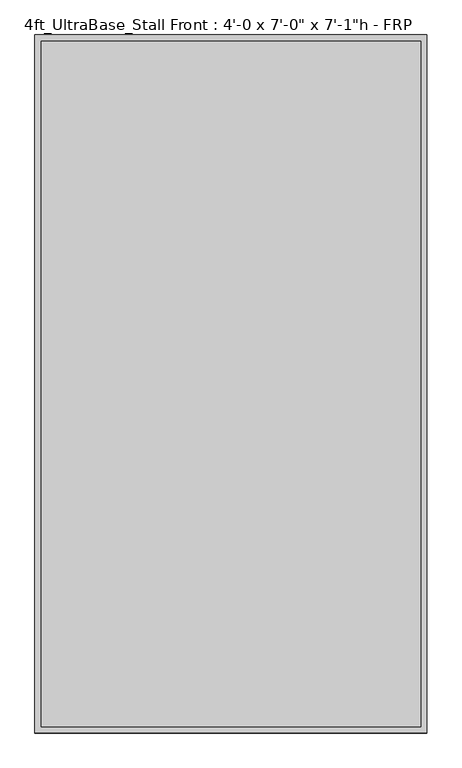
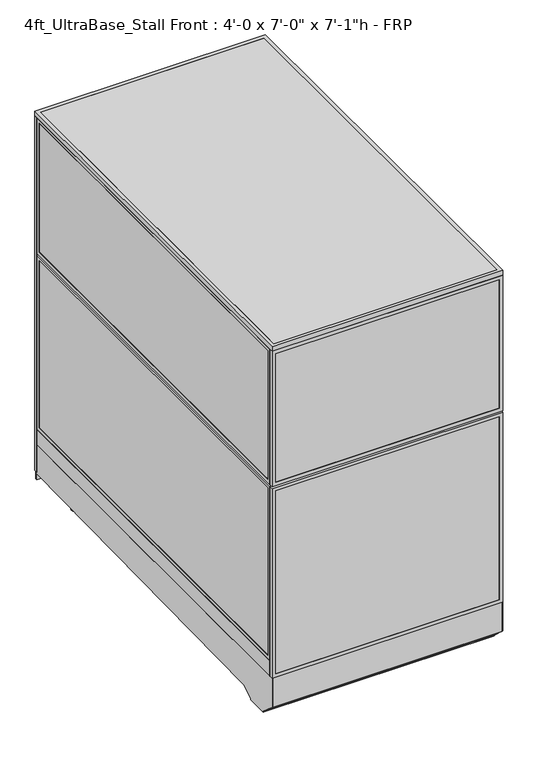
"""IFC4 building model written with IfcOpenShell, lengths in millimetres: proxy geometry."""

from ifc_helpers import new_model, si_unit, point, frame, frame_2d, origin, origin_with_axes, place, context, project, spatial, polyline, circle_curve, trimmed, segment, composite_curve, outline, extrude, source, transform, mapped, element, save


def proxy_6b5180ef(model_context):
    return source(origin(), model_context, "Body", "SweptSolid", [
        extrude(outline(polyline([(152.4, 1219.2), (2133.6, 1219.2), (2133.6, 304.8), (152.4, 304.8), (152.4, 1219.2)]), holes=[polyline([(971.55, 1200.15), (171.45, 1200.15), (171.45, 323.85), (971.55, 323.85), (971.55, 1200.15)]), polyline([(1009.65, 323.85), (2114.55, 323.85), (2114.55, 1200.15), (1009.65, 1200.15), (1009.65, 323.85)])]), frame((0.0, 2133.6, 0.0), z_axis=(0.0, 1.0, 0.0), x_axis=(0.0, 0.0, 1.0)), (0.0, 0.0, 1.0), 19.05),
        extrude(outline(polyline([(1158.8810162, 2151.0625), (1158.8810162, 2135.1875), (365.1189838, 2135.1875), (365.1189838, 2151.0625), (1158.8810162, 2151.0625)])), frame((0.0, 0.0, 212.725), z_axis=(0.0, 0.0, 1.0), x_axis=(1.0, 0.0, 0.0)), (0.0, 0.0, 1.0), 717.55),
        extrude(outline(polyline([(1031.875, 1177.9310162), (2092.325, 1177.9310162), (2092.325, 346.0689838), (1031.875, 346.0689838), (1031.875, 1177.9310162)]), holes=[polyline([(2073.275, 365.1189838), (2073.275, 1158.8810162), (1050.925, 1158.8810162), (1050.925, 365.1189838), (2073.275, 365.1189838)])]), frame((0.0, 2133.6, 0.0), z_axis=(0.0, 1.0, 0.0), x_axis=(0.0, 0.0, 1.0)), (0.0, 0.0, 1.0), 19.05),
        extrude(outline(polyline([(193.675, 1177.9310162), (949.325, 1177.9310162), (949.325, 346.0689838), (193.675, 346.0689838), (193.675, 1177.9310162)]), holes=[polyline([(930.275, 365.1189838), (930.275, 1158.8810162), (212.725, 1158.8810162), (212.725, 365.1189838), (930.275, 365.1189838)])]), frame((0.0, 2133.6, 0.0), z_axis=(0.0, 1.0, 0.0), x_axis=(0.0, 0.0, 1.0)), (0.0, 0.0, 1.0), 19.05),
        extrude(outline(polyline([(1158.8810162, 2151.0625), (1158.8810162, 2135.1875), (365.1189838, 2135.1875), (365.1189838, 2151.0625), (1158.8810162, 2151.0625)])), frame((0.0, 0.0, 1050.925), z_axis=(0.0, 0.0, 1.0), x_axis=(1.0, 0.0, 0.0)), (0.0, 0.0, 1.0), 1022.35),
        extrude(outline(polyline([(285.75, 2151.0625), (285.75, 2135.1875), (19.05, 2135.1875), (19.05, 2151.0625), (285.75, 2151.0625)])), frame((0.0, 0.0, 171.45), z_axis=(0.0, 0.0, 1.0), x_axis=(1.0, 0.0, 0.0)), (0.0, 0.0, 1.0), 800.1),
        extrude(outline(polyline([(285.75, 2151.0625), (285.75, 2135.1875), (19.05, 2135.1875), (19.05, 2151.0625), (285.75, 2151.0625)])), frame((0.0, 0.0, 1009.65), z_axis=(0.0, 0.0, 1.0), x_axis=(1.0, 0.0, 0.0)), (0.0, 0.0, 1.0), 1104.9),
        extrude(outline(polyline([(2133.6, 0.0), (152.4, 0.0), (152.4, 304.8), (2133.6, 304.8), (2133.6, 0.0)]), holes=[polyline([(971.55, 19.05), (971.55, 285.75), (171.45, 285.75), (171.45, 19.05), (971.55, 19.05)]), polyline([(1009.65, 19.05), (2114.55, 19.05), (2114.55, 285.75), (1009.65, 285.75), (1009.65, 19.05)])]), frame((0.0, 2133.6, 0.0), z_axis=(0.0, 1.0, 0.0), x_axis=(0.0, 0.0, 1.0)), (0.0, 0.0, 1.0), 19.05),
        extrude(outline(composite_curve([segment(trimmed(circle_curve(frame_2d((1110.8236459, 1982.4018426)), 38.1), [point((1072.7236459, 1982.4018426))], [point((1148.9236459, 1982.4018426))], False, "CARTESIAN"), True, "CONTINUOUS"), segment(trimmed(circle_curve(frame_2d((1110.8236459, 1982.4018426)), 38.1), [point((1148.9236459, 1982.4018426))], [point((1072.7236459, 1982.4018426))], False, "CARTESIAN"), True, "CONTINUOUS")], self_intersect=False)), frame((0.0, 0.0, 130.9806848), z_axis=(0.0, 0.0, 1.0), x_axis=(1.0, 0.0, 0.0)), (0.0, 0.0, 1.0), 12.9784433),
        extrude(outline(composite_curve([segment(trimmed(circle_curve(frame_2d((1110.8236459, 1982.4018426)), 12.7), [point((1098.1236459, 1982.4018426))], [point((1123.5236459, 1982.4018426))], False, "CARTESIAN"), True, "CONTINUOUS"), segment(trimmed(circle_curve(frame_2d((1110.8236459, 1982.4018426)), 12.7), [point((1123.5236459, 1982.4018426))], [point((1098.1236459, 1982.4018426))], False, "CARTESIAN"), True, "CONTINUOUS")], self_intersect=False)), frame((0.0, 0.0, 6.35), z_axis=(0.0, 0.0, 1.0), x_axis=(1.0, 0.0, 0.0)), (0.0, 0.0, 1.0), 124.6306848),
        extrude(outline(composite_curve([segment(trimmed(circle_curve(frame_2d((1110.8236459, 1982.4018426)), 25.4), [point((1085.4236459, 1982.4018426))], [point((1136.2236459, 1982.4018426))], False, "CARTESIAN"), True, "CONTINUOUS"), segment(trimmed(circle_curve(frame_2d((1110.8236459, 1982.4018426)), 25.4), [point((1136.2236459, 1982.4018426))], [point((1085.4236459, 1982.4018426))], False, "CARTESIAN"), True, "CONTINUOUS")], self_intersect=False)), origin_with_axes(), (0.0, 0.0, 1.0), 6.35),
        extrude(outline(composite_curve([segment(trimmed(circle_curve(frame_2d((120.2236459, 1982.4018426)), 38.1), [point((82.1236459, 1982.4018426))], [point((158.3236459, 1982.4018426))], False, "CARTESIAN"), True, "CONTINUOUS"), segment(trimmed(circle_curve(frame_2d((120.2236459, 1982.4018426)), 38.1), [point((158.3236459, 1982.4018426))], [point((82.1236459, 1982.4018426))], False, "CARTESIAN"), True, "CONTINUOUS")], self_intersect=False)), frame((0.0, 0.0, 130.9806848), z_axis=(0.0, 0.0, 1.0), x_axis=(1.0, 0.0, 0.0)), (0.0, 0.0, 1.0), 12.9784433),
        extrude(outline(composite_curve([segment(trimmed(circle_curve(frame_2d((120.2236459, 1982.4018426)), 12.7), [point((107.5236459, 1982.4018426))], [point((132.9236459, 1982.4018426))], False, "CARTESIAN"), True, "CONTINUOUS"), segment(trimmed(circle_curve(frame_2d((120.2236459, 1982.4018426)), 12.7), [point((132.9236459, 1982.4018426))], [point((107.5236459, 1982.4018426))], False, "CARTESIAN"), True, "CONTINUOUS")], self_intersect=False)), frame((0.0, 0.0, 6.35), z_axis=(0.0, 0.0, 1.0), x_axis=(1.0, 0.0, 0.0)), (0.0, 0.0, 1.0), 124.6306848),
        extrude(outline(composite_curve([segment(trimmed(circle_curve(frame_2d((120.2236459, 1982.4018426)), 25.4), [point((94.8236459, 1982.4018426))], [point((145.6236459, 1982.4018426))], False, "CARTESIAN"), True, "CONTINUOUS"), segment(trimmed(circle_curve(frame_2d((120.2236459, 1982.4018426)), 25.4), [point((145.6236459, 1982.4018426))], [point((94.8236459, 1982.4018426))], False, "CARTESIAN"), True, "CONTINUOUS")], self_intersect=False)), origin_with_axes(), (0.0, 0.0, 1.0), 6.35),
        extrude(outline(composite_curve([segment(trimmed(circle_curve(frame_2d((120.2236459, 331.9496116)), 38.1), [point((82.1236459, 331.9496116))], [point((158.3236459, 331.9496116))], False, "CARTESIAN"), True, "CONTINUOUS"), segment(trimmed(circle_curve(frame_2d((120.2236459, 331.9496116)), 38.1), [point((158.3236459, 331.9496116))], [point((82.1236459, 331.9496116))], False, "CARTESIAN"), True, "CONTINUOUS")], self_intersect=False)), frame((0.0, 0.0, 103.9931848), z_axis=(0.0, 0.0, 1.0), x_axis=(1.0, 0.0, 0.0)), (0.0, 0.0, 1.0), 12.9784433),
        extrude(outline(composite_curve([segment(trimmed(circle_curve(frame_2d((120.2236459, 331.9496116)), 12.7), [point((107.5236459, 331.9496116))], [point((132.9236459, 331.9496116))], False, "CARTESIAN"), True, "CONTINUOUS"), segment(trimmed(circle_curve(frame_2d((120.2236459, 331.9496116)), 12.7), [point((132.9236459, 331.9496116))], [point((107.5236459, 331.9496116))], False, "CARTESIAN"), True, "CONTINUOUS")], self_intersect=False)), frame((0.0, 0.0, 6.35), z_axis=(0.0, 0.0, 1.0), x_axis=(1.0, 0.0, 0.0)), (0.0, 0.0, 1.0), 97.6431848),
        extrude(outline(composite_curve([segment(trimmed(circle_curve(frame_2d((120.2236459, 331.9496116)), 25.4), [point((94.8236459, 331.9496116))], [point((145.6236459, 331.9496116))], False, "CARTESIAN"), True, "CONTINUOUS"), segment(trimmed(circle_curve(frame_2d((120.2236459, 331.9496116)), 25.4), [point((145.6236459, 331.9496116))], [point((94.8236459, 331.9496116))], False, "CARTESIAN"), True, "CONTINUOUS")], self_intersect=False)), origin_with_axes(), (0.0, 0.0, 1.0), 6.35),
        extrude(outline(composite_curve([segment(trimmed(circle_curve(frame_2d((1110.8236459, 331.9496116)), 38.1), [point((1072.7236459, 331.9496116))], [point((1148.9236459, 331.9496116))], False, "CARTESIAN"), True, "CONTINUOUS"), segment(trimmed(circle_curve(frame_2d((1110.8236459, 331.9496116)), 38.1), [point((1148.9236459, 331.9496116))], [point((1072.7236459, 331.9496116))], False, "CARTESIAN"), True, "CONTINUOUS")], self_intersect=False)), frame((0.0, 0.0, 103.9931848), z_axis=(0.0, 0.0, 1.0), x_axis=(1.0, 0.0, 0.0)), (0.0, 0.0, 1.0), 12.9784433),
        extrude(outline(composite_curve([segment(trimmed(circle_curve(frame_2d((1110.8236459, 331.9496116)), 12.7), [point((1098.1236459, 331.9496116))], [point((1123.5236459, 331.9496116))], False, "CARTESIAN"), True, "CONTINUOUS"), segment(trimmed(circle_curve(frame_2d((1110.8236459, 331.9496116)), 12.7), [point((1123.5236459, 331.9496116))], [point((1098.1236459, 331.9496116))], False, "CARTESIAN"), True, "CONTINUOUS")], self_intersect=False)), frame((0.0, 0.0, 6.35), z_axis=(0.0, 0.0, 1.0), x_axis=(1.0, 0.0, 0.0)), (0.0, 0.0, 1.0), 97.6431848),
        extrude(outline(composite_curve([segment(trimmed(circle_curve(frame_2d((1110.8236459, 331.9496116)), 25.4), [point((1085.4236459, 331.9496116))], [point((1136.2236459, 331.9496116))], False, "CARTESIAN"), True, "CONTINUOUS"), segment(trimmed(circle_curve(frame_2d((1110.8236459, 331.9496116)), 25.4), [point((1136.2236459, 331.9496116))], [point((1085.4236459, 331.9496116))], False, "CARTESIAN"), True, "CONTINUOUS")], self_intersect=False)), origin_with_axes(), (0.0, 0.0, 1.0), 6.35),
        extrude(outline(polyline([(-19.05, 304.8), (2139.95, 304.8), (2139.95, 143.3232444), (238.733612, 113.4956461), (175.3928625, 76.9258473), (175.3928625, 69.0977369), (59.8970382, 69.0977369), (59.8970382, 73.3553835), (-19.05, 144.439616), (-19.05, 304.8)])), frame((0.0, 0.0, 0.0), z_axis=(1.0, 0.0, 0.0), x_axis=(0.0, 1.0, 0.0)), (0.0, 0.0, 1.0), 3.175),
        extrude(outline(polyline([(-19.05, 304.8), (2139.95, 304.8), (2139.95, 143.3232444), (238.733612, 113.4956461), (175.3928625, 76.9258473), (175.3928625, 69.0977369), (59.8970382, 69.0977369), (59.8970382, 73.3553835), (-19.05, 144.439616), (-19.05, 304.8)])), frame((1216.025, 0.0, 0.0), z_axis=(1.0, 0.0, 0.0), x_axis=(0.0, 1.0, 0.0)), (0.0, 0.0, 1.0), 3.175),
        extrude(outline(polyline([(2139.95, 104.78262), (2139.95, 144.8342358), (238.733612, 113.4956461), (175.3928625, 76.9258473), (175.3928625, 69.0977369), (59.8970382, 69.0977369), (59.8970382, 73.3553835), (-19.05, 144.439616), (-19.05, 304.8), (-10.9434074, 304.8), (-10.9434074, 236.4996867), (-5.6766373, 236.4996867), (-2.6025146, 148.4683295), (68.18203, 84.7336392), (68.18203, 79.4164869), (167.804636, 79.4164869), (167.804636, 86.088281), (237.0845322, 126.0870477), (2152.65, 157.8890047), (2152.65, 104.78262), (2139.95, 104.78262)])), frame((3.175, 0.0, 0.0), z_axis=(1.0, 0.0, 0.0), x_axis=(0.0, 1.0, 0.0)), (0.0, 0.0, 1.0), 1212.85),
        extrude(outline(polyline([(1366.8375, 1219.2), (1366.8375, 0.0), (304.8, 0.0), (304.8, 1219.2), (1366.8375, 1219.2)]), holes=[polyline([(323.85, 1200.15), (323.85, 19.05), (1347.7875, 19.05), (1347.7875, 1200.15), (323.85, 1200.15)])]), frame((0.0, -19.05, 0.0), z_axis=(0.0, 1.0, 0.0), x_axis=(0.0, 0.0, 1.0)), (0.0, 0.0, 1.0), 19.05),
        extrude(outline(polyline([(1376.3625, 1219.2), (2133.6, 1219.2), (2133.6, 0.0), (1376.3625, 0.0), (1376.3625, 1219.2)]), holes=[polyline([(2114.55, 1200.15), (1395.4125, 1200.15), (1395.4125, 19.05), (2114.55, 19.05), (2114.55, 1200.15)])]), frame((0.0, -19.05, 0.0), z_axis=(0.0, 1.0, 0.0), x_axis=(0.0, 0.0, 1.0)), (0.0, 0.0, 1.0), 19.05),
        extrude(outline(polyline([(1200.15, -17.4625), (19.05, -17.4625), (19.05, -1.5875), (1200.15, -1.5875), (1200.15, -17.4625)])), frame((0.0, 0.0, 323.85), z_axis=(0.0, 0.0, 1.0), x_axis=(1.0, 0.0, 0.0)), (0.0, 0.0, 1.0), 1023.9375),
        extrude(outline(polyline([(1200.15, -17.4625), (19.05, -17.4625), (19.05, -1.5875), (1200.15, -1.5875), (1200.15, -17.4625)])), frame((0.0, 0.0, 1395.4125), z_axis=(0.0, 0.0, 1.0), x_axis=(1.0, 0.0, 0.0)), (0.0, 0.0, 1.0), 719.1375),
        extrude(outline(polyline([(1200.15, 0.0), (1200.15, 2133.6), (1219.2, 2133.6), (1219.2, 0.0), (1200.15, 0.0)])), frame((0.0, 0.0, 304.8), z_axis=(0.0, 0.0, 1.0), x_axis=(1.0, 0.0, 0.0)), (0.0, 0.0, 1.0), 88.9),
        extrude(outline(polyline([(2133.6, 393.7), (0.0, 393.7), (0.0, 1366.8375), (2133.6, 1366.8375), (2133.6, 393.7)]), holes=[polyline([(2114.55, 1347.7875), (19.05, 1347.7875), (19.05, 412.75), (2114.55, 412.75), (2114.55, 1347.7875)])]), frame((1200.15, 0.0, 0.0), z_axis=(1.0, 0.0, 0.0), x_axis=(0.0, 1.0, 0.0)), (0.0, 0.0, 1.0), 19.05),
        extrude(outline(polyline([(0.0, 1376.3625), (0.0, 2133.6), (2133.6, 2133.6), (2133.6, 1376.3625), (0.0, 1376.3625)]), holes=[polyline([(19.05, 2114.55), (19.05, 1395.4125), (2114.55, 1395.4125), (2114.55, 2114.55), (19.05, 2114.55)])]), frame((1200.15, 0.0, 0.0), z_axis=(1.0, 0.0, 0.0), x_axis=(0.0, 1.0, 0.0)), (0.0, 0.0, 1.0), 19.05),
        extrude(outline(polyline([(1201.7375, 19.05), (1201.7375, 2114.55), (1217.6125, 2114.55), (1217.6125, 19.05), (1201.7375, 19.05)])), frame((0.0, 0.0, 412.75), z_axis=(0.0, 0.0, 1.0), x_axis=(1.0, 0.0, 0.0)), (0.0, 0.0, 1.0), 935.0375),
        extrude(outline(polyline([(1201.7375, 19.05), (1201.7375, 2114.55), (1217.6125, 2114.55), (1217.6125, 19.05), (1201.7375, 19.05)])), frame((0.0, 0.0, 1395.4125), z_axis=(0.0, 0.0, 1.0), x_axis=(1.0, 0.0, 0.0)), (0.0, 0.0, 1.0), 719.1375),
        extrude(outline(polyline([(0.0, 0.0), (0.0, 2133.6), (19.05, 2133.6), (19.05, 0.0), (0.0, 0.0)])), frame((0.0, 0.0, 304.8), z_axis=(0.0, 0.0, 1.0), x_axis=(1.0, 0.0, 0.0)), (0.0, 0.0, 1.0), 88.9),
        extrude(outline(polyline([(2133.6, 393.7), (0.0, 393.7), (0.0, 1366.8375), (2133.6, 1366.8375), (2133.6, 393.7)]), holes=[polyline([(2114.55, 1347.7875), (19.05, 1347.7875), (19.05, 412.75), (2114.55, 412.75), (2114.55, 1347.7875)])]), frame((0.0, 0.0, 0.0), z_axis=(1.0, 0.0, 0.0), x_axis=(0.0, 1.0, 0.0)), (0.0, 0.0, 1.0), 19.05),
        extrude(outline(polyline([(0.0, 1376.3625), (0.0, 2133.6), (2133.6, 2133.6), (2133.6, 1376.3625), (0.0, 1376.3625)]), holes=[polyline([(19.05, 2114.55), (19.05, 1395.4125), (2114.55, 1395.4125), (2114.55, 2114.55), (19.05, 2114.55)])]), frame((0.0, 0.0, 0.0), z_axis=(1.0, 0.0, 0.0), x_axis=(0.0, 1.0, 0.0)), (0.0, 0.0, 1.0), 19.05),
        extrude(outline(polyline([(1.5875, 19.05), (1.5875, 2114.55), (17.4625, 2114.55), (17.4625, 19.05), (1.5875, 19.05)])), frame((0.0, 0.0, 412.75), z_axis=(0.0, 0.0, 1.0), x_axis=(1.0, 0.0, 0.0)), (0.0, 0.0, 1.0), 935.0375),
        extrude(outline(polyline([(1.5875, 19.05), (1.5875, 2114.55), (17.4625, 2114.55), (17.4625, 19.05), (1.5875, 19.05)])), frame((0.0, 0.0, 1395.4125), z_axis=(0.0, 0.0, 1.0), x_axis=(1.0, 0.0, 0.0)), (0.0, 0.0, 1.0), 719.1375),
        extrude(outline(polyline([(1187.45, 622.3), (1187.45, 609.6), (31.75, 609.6), (31.75, 622.3), (1187.45, 622.3)])), frame((0.0, 0.0, 152.4), z_axis=(0.0, 0.0, 1.0), x_axis=(1.0, 0.0, 0.0)), (0.0, 0.0, 1.0), 152.4),
        extrude(outline(polyline([(1187.45, 622.3), (1187.45, 12.7), (31.75, 12.7), (31.75, 622.3), (1187.45, 622.3)])), frame((0.0, 0.0, 304.8), z_axis=(0.0, 0.0, 1.0), x_axis=(1.0, 0.0, 0.0)), (0.0, 0.0, 1.0), 12.7),
        extrude(outline(polyline([(1219.2, 2152.65), (1219.2, -19.05), (0.0, -19.05), (0.0, 2152.65), (1219.2, 2152.65)]), holes=[polyline([(1200.15, 2133.6), (19.05, 2133.6), (19.05, 0.0), (1200.15, 0.0), (1200.15, 2133.6)])]), frame((0.0, 0.0, 2133.6), z_axis=(0.0, 0.0, 1.0), x_axis=(1.0, 0.0, 0.0)), (0.0, 0.0, 1.0), 25.4),
        extrude(outline(polyline([(19.05, 2133.6), (1200.15, 2133.6), (1200.15, 0.0), (19.05, 0.0), (19.05, 2133.6)])), frame((0.0, 0.0, 2133.6), z_axis=(0.0, 0.0, 1.0), x_axis=(1.0, 0.0, 0.0)), (0.0, 0.0, 1.0), 25.4),
    ])


if __name__ == "__main__":
    model = new_model("IFC4")
    model_context = context("Model", 3, world=origin())
    ifc_project = project(units=[si_unit("LENGTHUNIT", "METRE", prefix="MILLI")], contexts=[model_context])
    site = spatial("IfcSite", under=ifc_project)
    building = spatial("IfcBuilding", under=site)
    placement = place(None, origin())
    proxy_shape = proxy_6b5180ef(model_context)
    element("IfcBuildingElementProxy", 1, Name="4ft_UltraBase_Stall Front : 4'-0 x 7'-0\" x 7'-1\"h - FRP", ObjectType="4ft_UltraBase_Stall Front : 4'-0 x 7'-0\" x 7'-1\"h - FRP", at=placement, inside=building, context=model_context, shape_type="MappedRepresentation", body=[
        mapped(proxy_shape, transform((0.0, 0.0, 0.0), x_axis=(1.0, 0.0, 0.0), y_axis=(0.0, 1.0, 0.0), z_axis=(0.0, 0.0, 1.0))),
    ])
    save(model, "model.ifc")
